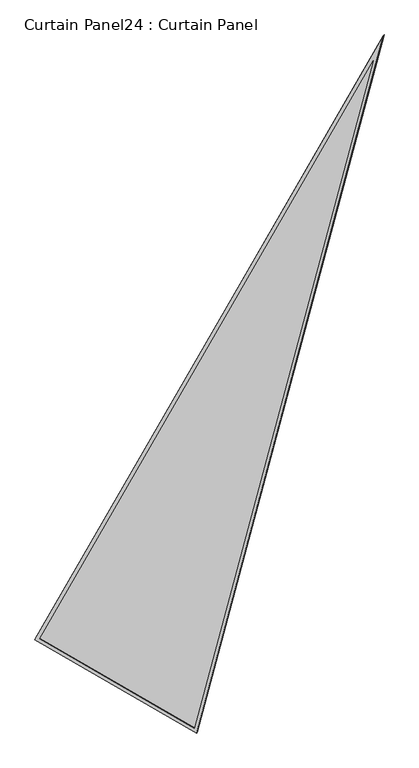
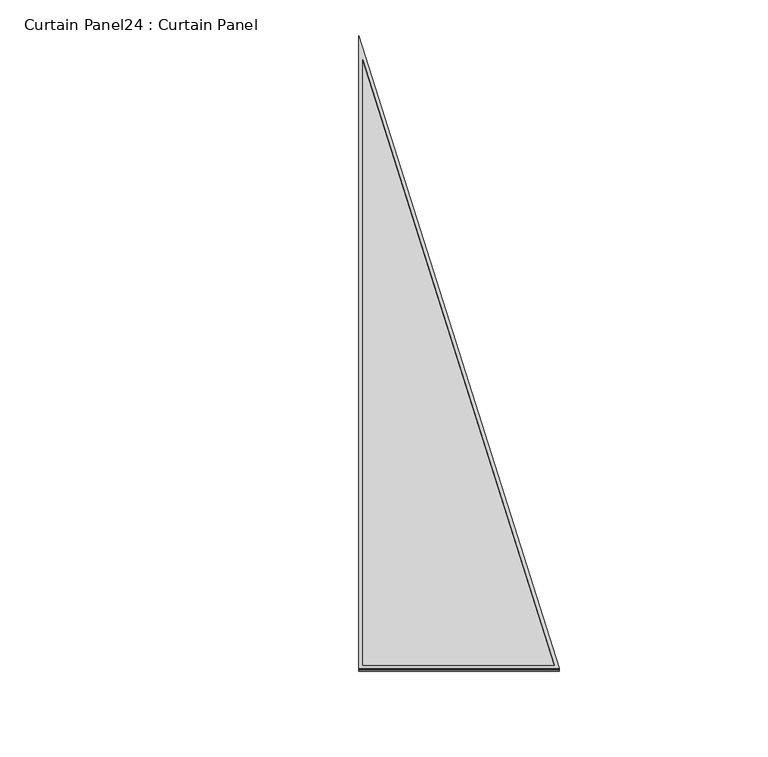
"""IFC4 building model written with IfcOpenShell, lengths in millimetres: plate geometry, Curtain Panel24 : Curtain Panel."""

import ifcopenshell
import ifcopenshell.guid

model = None  # the IFC model being written
_history = None  # IfcOwnerHistory: only IFC2X3 demands one
_inside = {}  # id of a spatial element -> (the spatial element, [elements in it])
_under = {}  # id of a project, library or spatial element -> (it, [spatial elements below it])
_declared = {}  # id of a project -> (the project, [libraries it declares])
_typed = {}  # id of a type object -> (the type object, [elements of that type])
_made_of = {}  # id of a material, layer set ... -> (it, [elements and type objects made of it])


def new_model(schema):
    """Start an empty IFC model of exactly this schema.

    Asked for "IFC4X3", IfcOpenShell would pick the latest addendum, in which some entities
    have other attributes; the version numbers below select the first issue.
    IFC2X3 requires an IfcOwnerHistory on every rooted entity: one is made here for all.
    """
    global model, _history
    if schema == "IFC4X3":
        model = ifcopenshell.file(schema_version=(4, 3, 0, 0))
    else:
        model = ifcopenshell.file(schema=schema)
    _inside.clear()
    _under.clear()
    _declared.clear()
    _typed.clear()
    _made_of.clear()
    _history = None
    if model.schema == "IFC2X3":
        org = make("IfcOrganization", Name="unknown")
        user = make(
            "IfcPersonAndOrganization",
            ThePerson=make("IfcPerson", FamilyName="unknown"),
            TheOrganization=org,
        )
        app = make(
            "IfcApplication",
            ApplicationDeveloper=org,
            Version="unknown",
            ApplicationFullName="unknown",
            ApplicationIdentifier="unknown",
        )
        _history = make(
            "IfcOwnerHistory",
            OwningUser=user,
            OwningApplication=app,
            ChangeAction="ADDED",
            CreationDate=0,
        )
    return model


def make(cls, **values):
    """One entity of the class cls with the attributes given. An attribute that is None is left unset."""
    return model.create_entity(
        cls, **{name: value for name, value in values.items() if value is not None}
    )


def rooted(cls, **values):
    """An entity with a GlobalId (a new one), such as an element, a storey or a relation."""
    return make(cls, GlobalId=ifcopenshell.guid.new(), OwnerHistory=_history, **values)


def si_unit(unit_type, name, prefix=None):
    """IfcSIUnit, for example si_unit("LENGTHUNIT", "METRE", prefix="MILLI")."""
    return make("IfcSIUnit", UnitType=unit_type, Prefix=prefix, Name=name)


def assignment(units):
    """IfcUnitAssignment: the units of a project."""
    return None if units is None else make("IfcUnitAssignment", Units=units)


def point(xyz):
    """IfcCartesianPoint."""
    return None if xyz is None else make("IfcCartesianPoint", Coordinates=xyz)


def direction(xyz):
    """IfcDirection."""
    return None if xyz is None else make("IfcDirection", DirectionRatios=xyz)


def frame(location, z_axis=None, x_axis=None):
    """IfcAxis2Placement3D, a coordinate frame: its origin and axes. An axis left out is left unset."""
    return make(
        "IfcAxis2Placement3D",
        Location=point(location),
        Axis=direction(z_axis),
        RefDirection=direction(x_axis),
    )


def origin():
    """The frame at (0, 0, 0) with its axes left unset."""
    return frame((0.0, 0.0, 0.0))


def place(relative_to, where):
    """IfcLocalPlacement: puts the frame where relative to a parent placement (None: the world)."""
    return make(
        "IfcLocalPlacement", PlacementRelTo=relative_to, RelativePlacement=where
    )


def context(
    kind, dimensions, precision=None, world=None, true_north=None, identifier=None
):
    """IfcGeometricRepresentationContext, for example the 3D "Model" context."""
    return make(
        "IfcGeometricRepresentationContext",
        ContextIdentifier=identifier,
        ContextType=kind,
        CoordinateSpaceDimension=dimensions,
        Precision=precision,
        WorldCoordinateSystem=world,
        TrueNorth=true_north,
    )


def project(units=None, contexts=None):
    """IfcProject with its units and contexts."""
    return rooted(
        "IfcProject",
        Name="project",
        RepresentationContexts=contexts,
        UnitsInContext=assignment(units),
    )


def spatial(cls, under=None, at=None, **own):
    """A site, building, storey or space (cls), placed at a placement, below another one or the project."""
    s = rooted(cls, ObjectPlacement=at, **own)
    if under is not None:
        _under.setdefault(under.id(), (under, []))[1].append(s)
    return s


def polyline(points):
    """IfcPolyline through the points."""
    return make("IfcPolyline", Points=[point(p) for p in points])


def outline(outer, holes=None, kind="AREA"):
    """IfcArbitraryClosedProfileDef: a profile drawn as a closed curve; with holes, ...WithVoids."""
    if holes is None:
        return make("IfcArbitraryClosedProfileDef", ProfileType=kind, OuterCurve=outer)
    return make(
        "IfcArbitraryProfileDefWithVoids",
        ProfileType=kind,
        OuterCurve=outer,
        InnerCurves=holes,
    )


def extrude(swept, where, along, depth):
    """IfcExtrudedAreaSolid: the profile swept, set in the frame where, extruded along a direction by depth."""
    return make(
        "IfcExtrudedAreaSolid",
        SweptArea=swept,
        Position=where,
        ExtrudedDirection=direction(along),
        Depth=depth,
    )


def shape(context_of_items, identifier, shape_type, items):
    """IfcShapeRepresentation: the items that make up one representation, for example the "Body"."""
    return make(
        "IfcShapeRepresentation",
        ContextOfItems=context_of_items,
        RepresentationIdentifier=identifier,
        RepresentationType=shape_type,
        Items=items,
    )


def source(mapping_origin, context_of_items, identifier, shape_type, items):
    """IfcRepresentationMap: a shape defined once, which mapped items show again and again."""
    return make(
        "IfcRepresentationMap",
        MappingOrigin=mapping_origin,
        MappedRepresentation=shape(context_of_items, identifier, shape_type, items),
    )


def transform(
    local_origin,
    x_axis=None,
    y_axis=None,
    z_axis=None,
    scale=None,
    scale2=None,
    scale3=None,
    uniform=True,
):
    """IfcCartesianTransformationOperator3D, or its non-uniform kind. x_axis, y_axis, z_axis: its Axis1, 2, 3."""
    if uniform:
        return make(
            "IfcCartesianTransformationOperator3D",
            Axis1=direction(x_axis),
            Axis2=direction(y_axis),
            LocalOrigin=point(local_origin),
            Scale=scale,
            Axis3=direction(z_axis),
        )
    return make(
        "IfcCartesianTransformationOperator3DnonUniform",
        Axis1=direction(x_axis),
        Axis2=direction(y_axis),
        LocalOrigin=point(local_origin),
        Scale=scale,
        Axis3=direction(z_axis),
        Scale2=scale2,
        Scale3=scale3,
    )


def mapped(mapping_source, mapping_target):
    """IfcMappedItem: shows the shape of a source again, moved by a transform."""
    return make(
        "IfcMappedItem", MappingSource=mapping_source, MappingTarget=mapping_target
    )


def made_of(thing, what):
    """Note that an element or type object is made of a material, layer set ...; save() writes the relation."""
    if what is not None:
        _made_of.setdefault(what.id(), (what, []))[1].append(thing)
    return thing


def element(
    cls,
    number,
    at=None,
    inside=None,
    cuts=None,
    type_object=None,
    material=None,
    context=None,
    identifier="Body",
    shape_type=None,
    held_by="IfcProductDefinitionShape",
    body=None,
    shapes=None,
    **own,
):
    """One element of the class cls, such as IfcWall. Its Tag is "e" and its number.

    at: its placement. inside: the storey or other place that contains it. cuts: it is an
    opening in that element (IfcRelVoidsElement). A single representation is given by context,
    identifier, shape_type and body (its items); several are given by shapes. held_by: the class
    of the entity that holds the representations. save() writes the other relations.
    """
    e = rooted(cls, Tag="e%d" % number, ObjectPlacement=at, **own)
    if body is not None:
        shapes = [shape(context, identifier, shape_type, body)]
    if shapes is not None:
        e.Representation = make(held_by, Representations=shapes)
    if inside is not None:
        _inside.setdefault(inside.id(), (inside, []))[1].append(e)
    if cuts is not None:
        rooted(
            "IfcRelVoidsElement", RelatingBuildingElement=cuts, RelatedOpeningElement=e
        )
    if type_object is not None:
        _typed.setdefault(type_object.id(), (type_object, []))[1].append(e)
    return made_of(e, material)


def aggregate(whole, parts):
    """IfcRelAggregates: a whole, such as a stair, and the parts it consists of."""
    return rooted("IfcRelAggregates", RelatingObject=whole, RelatedObjects=parts)


def save(model, path):
    """Write the relations noted so far, then the file.

    IfcRelAggregates (storeys below a building ...), IfcRelContainedInSpatialStructure (elements
    in a storey), IfcRelDefinesByType, IfcRelAssociatesMaterial and IfcRelDeclares: one each for
    every whole, place, type object, material and project.
    """
    for whole, parts in _under.values():
        aggregate(whole, parts)
    for where, things in _inside.values():
        rooted(
            "IfcRelContainedInSpatialStructure",
            RelatedElements=things,
            RelatingStructure=where,
        )
    for kind, things in _typed.values():
        rooted("IfcRelDefinesByType", RelatedObjects=things, RelatingType=kind)
    for what, things in _made_of.values():
        rooted("IfcRelAssociatesMaterial", RelatedObjects=things, RelatingMaterial=what)
    for by, libraries in _declared.values():
        rooted("IfcRelDeclares", RelatingContext=by, RelatedDefinitions=libraries)
    model.write(path)


def curtain_panel24_curtain_panel_210119bb(model_context):
    return source(origin(), model_context, "Body", "SweptSolid", [
        extrude(outline(polyline([(895.9175529, 0.0), (895.917553, -3524.3727628), (0.0, 0.0), (895.9175529, 0.0)]), holes=[polyline([(879.2547551, -16.662798), (21.4285394, -16.6627979), (879.2547551, -3391.1913357), (879.2547551, -16.662798)])]), frame((10490.8379516, -5311.5537053, 898.7112254), z_axis=(-0.15807291198690473, -0.27379031486167826, 0.948710608132914), x_axis=(-0.8660254037844327, 0.5000000000000104, 0.0)), (0.0, 0.0, 1.0), 4.8200871),
        extrude(outline(polyline([(895.917553, 1e-07), (895.917553, -3524.3727628), (0.0, 0.0), (895.917553, 1e-07)]), holes=[polyline([(885.6047551, -10.3127979), (13.2623703, -10.3127979), (885.6047551, -3441.9452407), (885.6047551, -10.3127979)])]), frame((10493.6261473, -5306.7244087, 881.9772337), z_axis=(-0.15807291198690496, -0.2737903148616782, 0.948710608132914), x_axis=(-0.8660254037844324, 0.500000000000011, 0.0)), (0.0, 0.0, 1.0), 4.8324589),
        extrude(outline(polyline([(20.2034564, 0.0), (916.1210094, 0.0), (916.1210095, -3524.3727628), (20.2034564, 0.0)])), frame((10510.358973, -5318.1492174, 886.5618387), z_axis=(-0.1580729119869049, -0.273790314861678, 0.948710608132914), x_axis=(-0.866025403784434, 0.5000000000000082, 0.0)), (0.0, 0.0, 1.0), 12.8062094),
    ])


if __name__ == "__main__":
    model = new_model("IFC4")
    model_context = context("Model", 3, world=origin())
    ifc_project = project(units=[si_unit("LENGTHUNIT", "METRE", prefix="MILLI")], contexts=[model_context])
    site = spatial("IfcSite", under=ifc_project)
    building = spatial("IfcBuilding", under=site)
    placement = place(None, origin())
    curtain_panel24_curtain_panel_shape = curtain_panel24_curtain_panel_210119bb(model_context)
    element("IfcPlate", 1, ObjectType="Curtain Panel24 : Curtain Panel", at=placement, inside=building, context=model_context, shape_type="MappedRepresentation", body=[
        mapped(curtain_panel24_curtain_panel_shape, transform((0.0, 0.0, 0.0), x_axis=(1.0, 0.0, 0.0), y_axis=(0.0, 1.0, 0.0), z_axis=(0.0, 0.0, 1.0))),
    ])
    save(model, "model.ifc")
